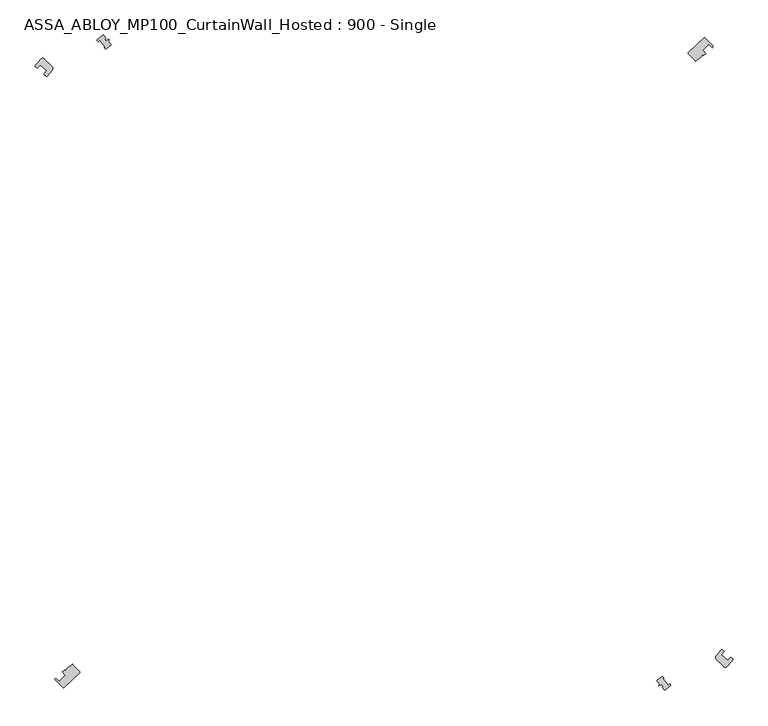
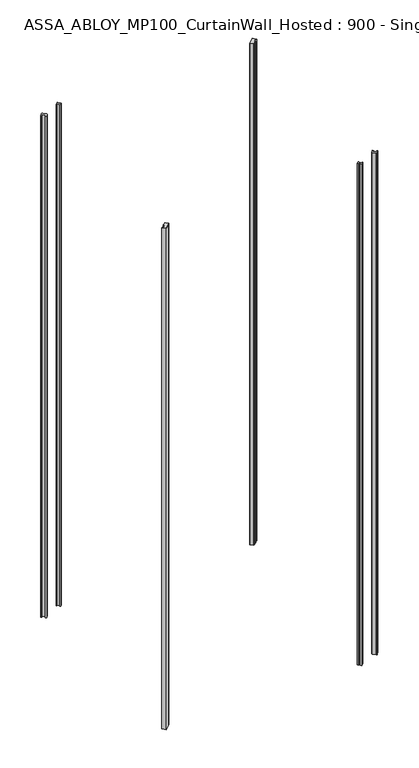
"""IFC4 building model written with IfcOpenShell, lengths in millimetres: plate geometry, ASSA_ABLOY_MP100_CurtainWall_Hosted : 900 - Single."""

import ifcopenshell
import ifcopenshell.guid

model = None  # the IFC model being written
_history = None  # IfcOwnerHistory: only IFC2X3 demands one
_inside = {}  # id of a spatial element -> (the spatial element, [elements in it])
_under = {}  # id of a project, library or spatial element -> (it, [spatial elements below it])
_declared = {}  # id of a project -> (the project, [libraries it declares])
_typed = {}  # id of a type object -> (the type object, [elements of that type])
_made_of = {}  # id of a material, layer set ... -> (it, [elements and type objects made of it])


def new_model(schema):
    """Start an empty IFC model of exactly this schema.

    Asked for "IFC4X3", IfcOpenShell would pick the latest addendum, in which some entities
    have other attributes; the version numbers below select the first issue.
    IFC2X3 requires an IfcOwnerHistory on every rooted entity: one is made here for all.
    """
    global model, _history
    if schema == "IFC4X3":
        model = ifcopenshell.file(schema_version=(4, 3, 0, 0))
    else:
        model = ifcopenshell.file(schema=schema)
    _inside.clear()
    _under.clear()
    _declared.clear()
    _typed.clear()
    _made_of.clear()
    _history = None
    if model.schema == "IFC2X3":
        org = make("IfcOrganization", Name="unknown")
        user = make(
            "IfcPersonAndOrganization",
            ThePerson=make("IfcPerson", FamilyName="unknown"),
            TheOrganization=org,
        )
        app = make(
            "IfcApplication",
            ApplicationDeveloper=org,
            Version="unknown",
            ApplicationFullName="unknown",
            ApplicationIdentifier="unknown",
        )
        _history = make(
            "IfcOwnerHistory",
            OwningUser=user,
            OwningApplication=app,
            ChangeAction="ADDED",
            CreationDate=0,
        )
    return model


def make(cls, **values):
    """One entity of the class cls with the attributes given. An attribute that is None is left unset."""
    return model.create_entity(
        cls, **{name: value for name, value in values.items() if value is not None}
    )


def rooted(cls, **values):
    """An entity with a GlobalId (a new one), such as an element, a storey or a relation."""
    return make(cls, GlobalId=ifcopenshell.guid.new(), OwnerHistory=_history, **values)


def si_unit(unit_type, name, prefix=None):
    """IfcSIUnit, for example si_unit("LENGTHUNIT", "METRE", prefix="MILLI")."""
    return make("IfcSIUnit", UnitType=unit_type, Prefix=prefix, Name=name)


def assignment(units):
    """IfcUnitAssignment: the units of a project."""
    return None if units is None else make("IfcUnitAssignment", Units=units)


def point(xyz):
    """IfcCartesianPoint."""
    return None if xyz is None else make("IfcCartesianPoint", Coordinates=xyz)


def direction(xyz):
    """IfcDirection."""
    return None if xyz is None else make("IfcDirection", DirectionRatios=xyz)


def frame(location, z_axis=None, x_axis=None):
    """IfcAxis2Placement3D, a coordinate frame: its origin and axes. An axis left out is left unset."""
    return make(
        "IfcAxis2Placement3D",
        Location=point(location),
        Axis=direction(z_axis),
        RefDirection=direction(x_axis),
    )


def frame_2d(location, x_axis=None):
    """IfcAxis2Placement2D, a coordinate frame in the plane: its origin and x axis."""
    return make(
        "IfcAxis2Placement2D", Location=point(location), RefDirection=direction(x_axis)
    )


def origin():
    """The frame at (0, 0, 0) with its axes left unset."""
    return frame((0.0, 0.0, 0.0))


def origin_with_axes():
    """The frame at (0, 0, 0) with the z axis (0, 0, 1) and the x axis (1, 0, 0) written out."""
    return frame((0.0, 0.0, 0.0), z_axis=(0.0, 0.0, 1.0), x_axis=(1.0, 0.0, 0.0))


def origin_2d():
    """The frame at (0, 0) in the plane with its x axis left unset."""
    return frame_2d((0.0, 0.0))


def place(relative_to, where):
    """IfcLocalPlacement: puts the frame where relative to a parent placement (None: the world)."""
    return make(
        "IfcLocalPlacement", PlacementRelTo=relative_to, RelativePlacement=where
    )


def context(
    kind, dimensions, precision=None, world=None, true_north=None, identifier=None
):
    """IfcGeometricRepresentationContext, for example the 3D "Model" context."""
    return make(
        "IfcGeometricRepresentationContext",
        ContextIdentifier=identifier,
        ContextType=kind,
        CoordinateSpaceDimension=dimensions,
        Precision=precision,
        WorldCoordinateSystem=world,
        TrueNorth=true_north,
    )


def project(units=None, contexts=None):
    """IfcProject with its units and contexts."""
    return rooted(
        "IfcProject",
        Name="project",
        RepresentationContexts=contexts,
        UnitsInContext=assignment(units),
    )


def spatial(cls, under=None, at=None, **own):
    """A site, building, storey or space (cls), placed at a placement, below another one or the project."""
    s = rooted(cls, ObjectPlacement=at, **own)
    if under is not None:
        _under.setdefault(under.id(), (under, []))[1].append(s)
    return s


def polyline(points):
    """IfcPolyline through the points."""
    return make("IfcPolyline", Points=[point(p) for p in points])


def circle_curve(where, radius):
    """IfcCircle in the frame where."""
    return make("IfcCircle", Position=where, Radius=radius)


def trimmed(basis, trim1, trim2, sense, master):
    """IfcTrimmedCurve: the piece of a basis curve between two trims."""
    return make(
        "IfcTrimmedCurve",
        BasisCurve=basis,
        Trim1=trim1,
        Trim2=trim2,
        SenseAgreement=sense,
        MasterRepresentation=master,
    )


def segment(curve, same_sense, transition):
    """IfcCompositeCurveSegment."""
    return make(
        "IfcCompositeCurveSegment",
        Transition=transition,
        SameSense=same_sense,
        ParentCurve=curve,
    )


def composite_curve(segments, self_intersect=None):
    """IfcCompositeCurve: segments joined end to end."""
    return make("IfcCompositeCurve", Segments=segments, SelfIntersect=self_intersect)


def outline(outer, holes=None, kind="AREA"):
    """IfcArbitraryClosedProfileDef: a profile drawn as a closed curve; with holes, ...WithVoids."""
    if holes is None:
        return make("IfcArbitraryClosedProfileDef", ProfileType=kind, OuterCurve=outer)
    return make(
        "IfcArbitraryProfileDefWithVoids",
        ProfileType=kind,
        OuterCurve=outer,
        InnerCurves=holes,
    )


def extrude(swept, where, along, depth):
    """IfcExtrudedAreaSolid: the profile swept, set in the frame where, extruded along a direction by depth."""
    return make(
        "IfcExtrudedAreaSolid",
        SweptArea=swept,
        Position=where,
        ExtrudedDirection=direction(along),
        Depth=depth,
    )


def shape(context_of_items, identifier, shape_type, items):
    """IfcShapeRepresentation: the items that make up one representation, for example the "Body"."""
    return make(
        "IfcShapeRepresentation",
        ContextOfItems=context_of_items,
        RepresentationIdentifier=identifier,
        RepresentationType=shape_type,
        Items=items,
    )


def source(mapping_origin, context_of_items, identifier, shape_type, items):
    """IfcRepresentationMap: a shape defined once, which mapped items show again and again."""
    return make(
        "IfcRepresentationMap",
        MappingOrigin=mapping_origin,
        MappedRepresentation=shape(context_of_items, identifier, shape_type, items),
    )


def transform(
    local_origin,
    x_axis=None,
    y_axis=None,
    z_axis=None,
    scale=None,
    scale2=None,
    scale3=None,
    uniform=True,
):
    """IfcCartesianTransformationOperator3D, or its non-uniform kind. x_axis, y_axis, z_axis: its Axis1, 2, 3."""
    if uniform:
        return make(
            "IfcCartesianTransformationOperator3D",
            Axis1=direction(x_axis),
            Axis2=direction(y_axis),
            LocalOrigin=point(local_origin),
            Scale=scale,
            Axis3=direction(z_axis),
        )
    return make(
        "IfcCartesianTransformationOperator3DnonUniform",
        Axis1=direction(x_axis),
        Axis2=direction(y_axis),
        LocalOrigin=point(local_origin),
        Scale=scale,
        Axis3=direction(z_axis),
        Scale2=scale2,
        Scale3=scale3,
    )


def mapped(mapping_source, mapping_target):
    """IfcMappedItem: shows the shape of a source again, moved by a transform."""
    return make(
        "IfcMappedItem", MappingSource=mapping_source, MappingTarget=mapping_target
    )


def made_of(thing, what):
    """Note that an element or type object is made of a material, layer set ...; save() writes the relation."""
    if what is not None:
        _made_of.setdefault(what.id(), (what, []))[1].append(thing)
    return thing


def element(
    cls,
    number,
    at=None,
    inside=None,
    cuts=None,
    type_object=None,
    material=None,
    context=None,
    identifier="Body",
    shape_type=None,
    held_by="IfcProductDefinitionShape",
    body=None,
    shapes=None,
    **own,
):
    """One element of the class cls, such as IfcWall. Its Tag is "e" and its number.

    at: its placement. inside: the storey or other place that contains it. cuts: it is an
    opening in that element (IfcRelVoidsElement). A single representation is given by context,
    identifier, shape_type and body (its items); several are given by shapes. held_by: the class
    of the entity that holds the representations. save() writes the other relations.
    """
    e = rooted(cls, Tag="e%d" % number, ObjectPlacement=at, **own)
    if body is not None:
        shapes = [shape(context, identifier, shape_type, body)]
    if shapes is not None:
        e.Representation = make(held_by, Representations=shapes)
    if inside is not None:
        _inside.setdefault(inside.id(), (inside, []))[1].append(e)
    if cuts is not None:
        rooted(
            "IfcRelVoidsElement", RelatingBuildingElement=cuts, RelatedOpeningElement=e
        )
    if type_object is not None:
        _typed.setdefault(type_object.id(), (type_object, []))[1].append(e)
    return made_of(e, material)


def aggregate(whole, parts):
    """IfcRelAggregates: a whole, such as a stair, and the parts it consists of."""
    return rooted("IfcRelAggregates", RelatingObject=whole, RelatedObjects=parts)


def save(model, path):
    """Write the relations noted so far, then the file.

    IfcRelAggregates (storeys below a building ...), IfcRelContainedInSpatialStructure (elements
    in a storey), IfcRelDefinesByType, IfcRelAssociatesMaterial and IfcRelDeclares: one each for
    every whole, place, type object, material and project.
    """
    for whole, parts in _under.values():
        aggregate(whole, parts)
    for where, things in _inside.values():
        rooted(
            "IfcRelContainedInSpatialStructure",
            RelatedElements=things,
            RelatingStructure=where,
        )
    for kind, things in _typed.values():
        rooted("IfcRelDefinesByType", RelatedObjects=things, RelatingType=kind)
    for what, things in _made_of.values():
        rooted("IfcRelAssociatesMaterial", RelatedObjects=things, RelatingMaterial=what)
    for by, libraries in _declared.values():
        rooted("IfcRelDeclares", RelatingContext=by, RelatedDefinitions=libraries)
    model.write(path)


def assa_abloy_mp100_curtainwall_hosted_900_single_01e2a084(model_context):
    return source(origin(), model_context, "Body", "SweptSolid", [
        extrude(outline(composite_curve([segment(polyline([(483.3568486, 492.9730849), (508.5651461, 516.8281455)]), True, "CONTINUOUS"), segment(trimmed(circle_curve(frame_2d((509.2524885, 516.1018119)), 1.0), [point((508.5651461, 516.8281455))], [point((509.9556184, 516.8128734))], False, "CARTESIAN"), True, "CONTINUOUS"), segment(trimmed(circle_curve(frame_2d((-97.9342892, -97.9342892)), 864.5485606), [point((509.9556184, 516.8128734))], [point((523.2868858, 503.3380829))], False, "CARTESIAN"), True, "CONTINUOUS"), segment(polyline([(523.2868858, 503.3380829), (521.1312364, 501.2516563)]), True, "CONTINUOUS"), segment(trimmed(circle_curve(frame_2d((-97.9342892, -97.9342892)), 861.5485606), [point((521.1312364, 501.2516563))], [point((516.2424738, 506.261727))], True, "CARTESIAN"), True, "CONTINUOUS"), segment(polyline([(516.2424738, 506.261727), (506.1824394, 496.5247429)]), True, "CONTINUOUS"), segment(trimmed(circle_curve(frame_2d((-97.9342892, -97.9342892)), 847.5485606), [point((506.1824394, 496.5247429))], [point((511.0715396, 491.5149988))], False, "CARTESIAN"), True, "CONTINUOUS"), segment(polyline([(511.0715396, 491.5149988), (507.6003998, 488.1553251), (506.1155815, 489.7280768), (502.119016, 484.6273834)]), True, "CONTINUOUS"), segment(trimmed(circle_curve(frame_2d((498.9704102, 487.0944224)), 4.0), [point((502.119016, 484.6273834))], [point((501.2601445, 483.8146181))], False, "CARTESIAN"), True, "CONTINUOUS"), segment(polyline([(501.2601445, 483.8146181), (495.3134766, 479.6630627)]), True, "CONTINUOUS"), segment(trimmed(circle_curve(frame_2d((495.0416691, 480.6254143)), 1.0), [point((495.3134766, 479.6630627))], [point((494.3153355, 479.9380719))], False, "CARTESIAN"), True, "CONTINUOUS"), segment(polyline([(494.3153355, 479.9380719), (483.3178574, 491.559409)]), True, "CONTINUOUS"), segment(trimmed(circle_curve(frame_2d((484.044191, 492.2467514)), 1.0), [point((483.3178574, 491.559409))], [point((483.3568486, 492.9730849))], False, "CARTESIAN"), True, "CONTINUOUS")], self_intersect=False)), origin_with_axes(), (0.0, 0.0, 1.0), 2600.0),
        extrude(outline(composite_curve([segment(polyline([(-483.3568486, -492.9730849), (-508.5651461, -516.8281455)]), True, "CONTINUOUS"), segment(trimmed(circle_curve(frame_2d((-509.2524885, -516.1018119)), 1.0), [point((-508.5651461, -516.8281455))], [point((-509.9556184, -516.8128734))], False, "CARTESIAN"), True, "CONTINUOUS"), segment(trimmed(circle_curve(frame_2d((97.9342892, 97.9342892)), 864.5485606), [point((-509.9556184, -516.8128734))], [point((-523.2868858, -503.3380829))], False, "CARTESIAN"), True, "CONTINUOUS"), segment(polyline([(-523.2868858, -503.3380829), (-521.1312364, -501.2516563)]), True, "CONTINUOUS"), segment(trimmed(circle_curve(frame_2d((97.9342892, 97.9342892)), 861.5485606), [point((-521.1312364, -501.2516563))], [point((-516.2424738, -506.261727))], True, "CARTESIAN"), True, "CONTINUOUS"), segment(polyline([(-516.2424738, -506.261727), (-506.1824394, -496.5247429)]), True, "CONTINUOUS"), segment(trimmed(circle_curve(frame_2d((97.9342892, 97.9342892)), 847.5485606), [point((-506.1824394, -496.5247429))], [point((-511.0715396, -491.5149988))], False, "CARTESIAN"), True, "CONTINUOUS"), segment(polyline([(-511.0715396, -491.5149988), (-507.6003998, -488.1553251), (-506.1155815, -489.7280768), (-502.119016, -484.6273834)]), True, "CONTINUOUS"), segment(trimmed(circle_curve(frame_2d((-498.9704102, -487.0944224)), 4.0), [point((-502.119016, -484.6273834))], [point((-501.2601445, -483.8146181))], False, "CARTESIAN"), True, "CONTINUOUS"), segment(polyline([(-501.2601445, -483.8146181), (-495.3134766, -479.6630627)]), True, "CONTINUOUS"), segment(trimmed(circle_curve(frame_2d((-495.0416691, -480.6254143)), 1.0), [point((-495.3134766, -479.6630627))], [point((-494.3153355, -479.9380719))], False, "CARTESIAN"), True, "CONTINUOUS"), segment(polyline([(-494.3153355, -479.9380719), (-483.3178574, -491.559409)]), True, "CONTINUOUS"), segment(trimmed(circle_curve(frame_2d((-484.044191, -492.2467514)), 1.0), [point((-483.3178574, -491.559409))], [point((-483.3568486, -492.9730849))], False, "CARTESIAN"), True, "CONTINUOUS")], self_intersect=False)), origin_with_axes(), (0.0, 0.0, 1.0), 2600.0),
        extrude(outline(composite_curve([segment(polyline([(-554.6289922, 471.1645854), (-544.9667789, 482.9221249)]), True, "CONTINUOUS"), segment(trimmed(circle_curve(frame_2d((-542.2301672, 480.0047705)), 4.0), [point((-544.9667789, 482.9221249))], [point((-539.4017401, 482.8331976))], False, "CARTESIAN"), True, "CONTINUOUS"), segment(polyline([(-539.4017401, 482.8331976), (-527.4294884, 470.8609459)]), True, "CONTINUOUS"), segment(trimmed(circle_curve(frame_2d((-530.2579155, 468.0325187)), 4.0), [point((-527.4294884, 470.8609459))], [point((-527.1674907, 465.4929765))], False, "CARTESIAN"), True, "CONTINUOUS"), segment(polyline([(-527.1674907, 465.4929765), (-535.7123012, 455.0946088), (-540.3828938, 459.0623384)]), True, "CONTINUOUS"), segment(trimmed(circle_curve(origin_2d(), 709.05), [point((-540.3828938, 459.0623384))], [point((-535.8245287, 464.3748238))], False, "CARTESIAN"), True, "CONTINUOUS"), segment(polyline([(-535.8245287, 464.3748238), (-546.4947523, 473.4393184)]), True, "CONTINUOUS"), segment(trimmed(circle_curve(origin_2d(), 723.05), [point((-546.4947523, 473.4393184))], [point((-551.0526075, 468.1263998))], True, "CARTESIAN"), True, "CONTINUOUS"), segment(polyline([(-551.0526075, 468.1263998), (-554.6289922, 471.1645854)]), True, "CONTINUOUS")], self_intersect=False)), origin_with_axes(), (0.0, 0.0, 1.0), 2600.0),
        extrude(outline(composite_curve([segment(polyline([(554.6315744, -471.1614277), (544.9667078, -482.922196)]), True, "CONTINUOUS"), segment(trimmed(circle_curve(frame_2d((542.229806, -480.0291165)), 3.9825294), [point((544.9667078, -482.922196))], [point((539.4137325, -482.84519))], False, "CARTESIAN"), True, "CONTINUOUS"), segment(polyline([(539.4137325, -482.84519), (527.9347683, -471.3662258)]), True, "CONTINUOUS"), segment(trimmed(circle_curve(frame_2d((530.7631954, -468.5377987)), 4.0), [point((527.9347683, -471.3662258))], [point((527.6727707, -465.9982565))], False, "CARTESIAN"), True, "CONTINUOUS"), segment(polyline([(527.6727707, -465.9982565), (536.2568817, -455.5520631), (540.3843694, -459.0583782)]), True, "CONTINUOUS"), segment(trimmed(circle_curve(origin_2d(), 709.0485606), [point((540.3843694, -459.0583782))], [point((535.826034, -464.370889))], False, "CARTESIAN"), True, "CONTINUOUS"), segment(polyline([(535.826034, -464.370889), (546.4963084, -473.4353238)]), True, "CONTINUOUS"), segment(trimmed(circle_curve(origin_2d(), 723.0485606), [point((546.4963084, -473.4353238))], [point((551.054134, -468.1223798))], True, "CARTESIAN"), True, "CONTINUOUS"), segment(polyline([(551.054134, -468.1223798), (554.6315744, -471.1614277)]), True, "CONTINUOUS")], self_intersect=False)), origin_with_axes(), (0.0, 0.0, 1.0), 2600.0),
        extrude(outline(composite_curve([segment(polyline([(-438.0132195, 511.1381923), (-433.5514971, 505.5582057)]), True, "CONTINUOUS"), segment(trimmed(circle_curve(origin_2d(), 666.0), [point((-433.5514971, 505.5582057))], [point((-441.7987002, 498.3672426))], True, "CARTESIAN"), True, "CONTINUOUS"), segment(polyline([(-441.7987002, 498.3672426), (-444.1195254, 500.6880679), (-443.077573, 501.5212066), (-451.8205949, 512.4555363), (-454.0802154, 510.6487579), (-456.0566583, 512.6252008)]), True, "CONTINUOUS"), segment(trimmed(circle_curve(origin_2d(), 686.1284661), [point((-456.0566583, 512.6252008))], [point((-446.1289698, 521.288034))], False, "CARTESIAN"), True, "CONTINUOUS"), segment(polyline([(-446.1289698, 521.288034), (-442.0724797, 516.2148454), (-444.0250386, 514.6535914), (-441.8392831, 511.920009), (-437.0974919, 513.9961437), (-436.4789974, 513.2226328), (-438.0132195, 511.1381923)]), True, "CONTINUOUS")], self_intersect=False)), origin_with_axes(), (0.0, 0.0, 1.0), 2600.0),
        extrude(outline(composite_curve([segment(polyline([(437.7653437, -510.8903165), (433.5514971, -505.5582057)]), True, "CONTINUOUS"), segment(trimmed(circle_curve(origin_2d(), 666.0), [point((433.5514971, -505.5582057))], [point((441.7987002, -498.3672426))], True, "CARTESIAN"), True, "CONTINUOUS"), segment(polyline([(441.7987002, -498.3672426), (444.1195254, -500.6880679), (443.077573, -501.5212066), (451.820595, -512.4555363), (454.0802154, -510.6487579), (455.8091063, -512.3776488)]), True, "CONTINUOUS"), segment(trimmed(circle_curve(origin_2d(), 685.7789705), [point((455.8091063, -512.3776488))], [point((445.881094, -521.0401582))], False, "CARTESIAN"), True, "CONTINUOUS"), segment(polyline([(445.881094, -521.0401582), (441.8246039, -515.9669696), (443.7771628, -514.4057156), (441.5914073, -511.6721332), (436.8496161, -513.7482679), (436.2311216, -512.974757), (437.7653437, -510.8903165)]), True, "CONTINUOUS")], self_intersect=False)), origin_with_axes(), (0.0, 0.0, 1.0), 2600.0),
    ])


if __name__ == "__main__":
    model = new_model("IFC4")
    model_context = context("Model", 3, world=origin())
    ifc_project = project(units=[si_unit("LENGTHUNIT", "METRE", prefix="MILLI")], contexts=[model_context])
    site = spatial("IfcSite", under=ifc_project)
    building = spatial("IfcBuilding", under=site)
    placement = place(None, origin())
    assa_abloy_mp100_curtainwall_hosted_900_single_shape = assa_abloy_mp100_curtainwall_hosted_900_single_01e2a084(model_context)
    element("IfcPlate", 1, ObjectType="ASSA_ABLOY_MP100_CurtainWall_Hosted : 900 - Single", at=placement, inside=building, context=model_context, shape_type="MappedRepresentation", body=[
        mapped(assa_abloy_mp100_curtainwall_hosted_900_single_shape, transform((0.0, 0.0, 0.0), x_axis=(1.0, 0.0, 0.0), y_axis=(0.0, 1.0, 0.0), z_axis=(0.0, 0.0, 1.0))),
    ])
    save(model, "model.ifc")
